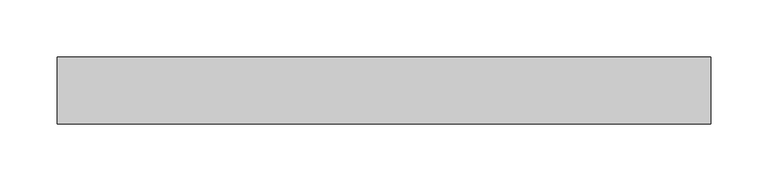
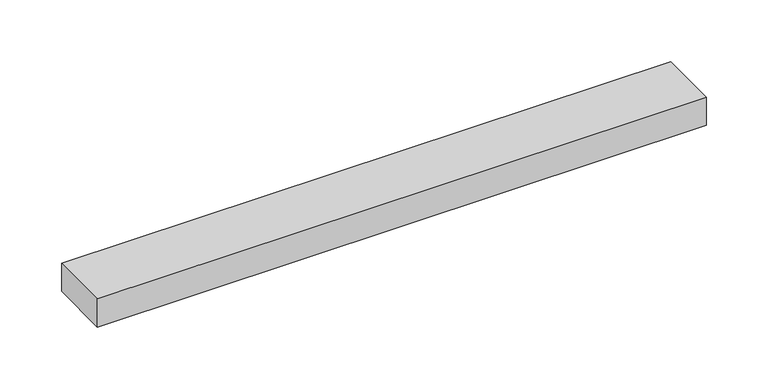
"""IFC4 building model written with IfcOpenShell, lengths in millimetres: proxy geometry."""

import ifcopenshell
import ifcopenshell.guid

model = None  # the IFC model being written
_history = None  # IfcOwnerHistory: only IFC2X3 demands one
_inside = {}  # id of a spatial element -> (the spatial element, [elements in it])
_under = {}  # id of a project, library or spatial element -> (it, [spatial elements below it])
_declared = {}  # id of a project -> (the project, [libraries it declares])
_typed = {}  # id of a type object -> (the type object, [elements of that type])
_made_of = {}  # id of a material, layer set ... -> (it, [elements and type objects made of it])


def new_model(schema):
    """Start an empty IFC model of exactly this schema.

    Asked for "IFC4X3", IfcOpenShell would pick the latest addendum, in which some entities
    have other attributes; the version numbers below select the first issue.
    IFC2X3 requires an IfcOwnerHistory on every rooted entity: one is made here for all.
    """
    global model, _history
    if schema == "IFC4X3":
        model = ifcopenshell.file(schema_version=(4, 3, 0, 0))
    else:
        model = ifcopenshell.file(schema=schema)
    _inside.clear()
    _under.clear()
    _declared.clear()
    _typed.clear()
    _made_of.clear()
    _history = None
    if model.schema == "IFC2X3":
        org = make("IfcOrganization", Name="unknown")
        user = make(
            "IfcPersonAndOrganization",
            ThePerson=make("IfcPerson", FamilyName="unknown"),
            TheOrganization=org,
        )
        app = make(
            "IfcApplication",
            ApplicationDeveloper=org,
            Version="unknown",
            ApplicationFullName="unknown",
            ApplicationIdentifier="unknown",
        )
        _history = make(
            "IfcOwnerHistory",
            OwningUser=user,
            OwningApplication=app,
            ChangeAction="ADDED",
            CreationDate=0,
        )
    return model


def make(cls, **values):
    """One entity of the class cls with the attributes given. An attribute that is None is left unset."""
    return model.create_entity(
        cls, **{name: value for name, value in values.items() if value is not None}
    )


def rooted(cls, **values):
    """An entity with a GlobalId (a new one), such as an element, a storey or a relation."""
    return make(cls, GlobalId=ifcopenshell.guid.new(), OwnerHistory=_history, **values)


def si_unit(unit_type, name, prefix=None):
    """IfcSIUnit, for example si_unit("LENGTHUNIT", "METRE", prefix="MILLI")."""
    return make("IfcSIUnit", UnitType=unit_type, Prefix=prefix, Name=name)


def assignment(units):
    """IfcUnitAssignment: the units of a project."""
    return None if units is None else make("IfcUnitAssignment", Units=units)


def point(xyz):
    """IfcCartesianPoint."""
    return None if xyz is None else make("IfcCartesianPoint", Coordinates=xyz)


def direction(xyz):
    """IfcDirection."""
    return None if xyz is None else make("IfcDirection", DirectionRatios=xyz)


def frame(location, z_axis=None, x_axis=None):
    """IfcAxis2Placement3D, a coordinate frame: its origin and axes. An axis left out is left unset."""
    return make(
        "IfcAxis2Placement3D",
        Location=point(location),
        Axis=direction(z_axis),
        RefDirection=direction(x_axis),
    )


def origin():
    """The frame at (0, 0, 0) with its axes left unset."""
    return frame((0.0, 0.0, 0.0))


def place(relative_to, where):
    """IfcLocalPlacement: puts the frame where relative to a parent placement (None: the world)."""
    return make(
        "IfcLocalPlacement", PlacementRelTo=relative_to, RelativePlacement=where
    )


def context(
    kind, dimensions, precision=None, world=None, true_north=None, identifier=None
):
    """IfcGeometricRepresentationContext, for example the 3D "Model" context."""
    return make(
        "IfcGeometricRepresentationContext",
        ContextIdentifier=identifier,
        ContextType=kind,
        CoordinateSpaceDimension=dimensions,
        Precision=precision,
        WorldCoordinateSystem=world,
        TrueNorth=true_north,
    )


def project(units=None, contexts=None):
    """IfcProject with its units and contexts."""
    return rooted(
        "IfcProject",
        Name="project",
        RepresentationContexts=contexts,
        UnitsInContext=assignment(units),
    )


def spatial(cls, under=None, at=None, **own):
    """A site, building, storey or space (cls), placed at a placement, below another one or the project."""
    s = rooted(cls, ObjectPlacement=at, **own)
    if under is not None:
        _under.setdefault(under.id(), (under, []))[1].append(s)
    return s


def polyline(points):
    """IfcPolyline through the points."""
    return make("IfcPolyline", Points=[point(p) for p in points])


def outline(outer, holes=None, kind="AREA"):
    """IfcArbitraryClosedProfileDef: a profile drawn as a closed curve; with holes, ...WithVoids."""
    if holes is None:
        return make("IfcArbitraryClosedProfileDef", ProfileType=kind, OuterCurve=outer)
    return make(
        "IfcArbitraryProfileDefWithVoids",
        ProfileType=kind,
        OuterCurve=outer,
        InnerCurves=holes,
    )


def extrude(swept, where, along, depth):
    """IfcExtrudedAreaSolid: the profile swept, set in the frame where, extruded along a direction by depth."""
    return make(
        "IfcExtrudedAreaSolid",
        SweptArea=swept,
        Position=where,
        ExtrudedDirection=direction(along),
        Depth=depth,
    )


def shape(context_of_items, identifier, shape_type, items):
    """IfcShapeRepresentation: the items that make up one representation, for example the "Body"."""
    return make(
        "IfcShapeRepresentation",
        ContextOfItems=context_of_items,
        RepresentationIdentifier=identifier,
        RepresentationType=shape_type,
        Items=items,
    )


def source(mapping_origin, context_of_items, identifier, shape_type, items):
    """IfcRepresentationMap: a shape defined once, which mapped items show again and again."""
    return make(
        "IfcRepresentationMap",
        MappingOrigin=mapping_origin,
        MappedRepresentation=shape(context_of_items, identifier, shape_type, items),
    )


def transform(
    local_origin,
    x_axis=None,
    y_axis=None,
    z_axis=None,
    scale=None,
    scale2=None,
    scale3=None,
    uniform=True,
):
    """IfcCartesianTransformationOperator3D, or its non-uniform kind. x_axis, y_axis, z_axis: its Axis1, 2, 3."""
    if uniform:
        return make(
            "IfcCartesianTransformationOperator3D",
            Axis1=direction(x_axis),
            Axis2=direction(y_axis),
            LocalOrigin=point(local_origin),
            Scale=scale,
            Axis3=direction(z_axis),
        )
    return make(
        "IfcCartesianTransformationOperator3DnonUniform",
        Axis1=direction(x_axis),
        Axis2=direction(y_axis),
        LocalOrigin=point(local_origin),
        Scale=scale,
        Axis3=direction(z_axis),
        Scale2=scale2,
        Scale3=scale3,
    )


def mapped(mapping_source, mapping_target):
    """IfcMappedItem: shows the shape of a source again, moved by a transform."""
    return make(
        "IfcMappedItem", MappingSource=mapping_source, MappingTarget=mapping_target
    )


def made_of(thing, what):
    """Note that an element or type object is made of a material, layer set ...; save() writes the relation."""
    if what is not None:
        _made_of.setdefault(what.id(), (what, []))[1].append(thing)
    return thing


def element(
    cls,
    number,
    at=None,
    inside=None,
    cuts=None,
    type_object=None,
    material=None,
    context=None,
    identifier="Body",
    shape_type=None,
    held_by="IfcProductDefinitionShape",
    body=None,
    shapes=None,
    **own,
):
    """One element of the class cls, such as IfcWall. Its Tag is "e" and its number.

    at: its placement. inside: the storey or other place that contains it. cuts: it is an
    opening in that element (IfcRelVoidsElement). A single representation is given by context,
    identifier, shape_type and body (its items); several are given by shapes. held_by: the class
    of the entity that holds the representations. save() writes the other relations.
    """
    e = rooted(cls, Tag="e%d" % number, ObjectPlacement=at, **own)
    if body is not None:
        shapes = [shape(context, identifier, shape_type, body)]
    if shapes is not None:
        e.Representation = make(held_by, Representations=shapes)
    if inside is not None:
        _inside.setdefault(inside.id(), (inside, []))[1].append(e)
    if cuts is not None:
        rooted(
            "IfcRelVoidsElement", RelatingBuildingElement=cuts, RelatedOpeningElement=e
        )
    if type_object is not None:
        _typed.setdefault(type_object.id(), (type_object, []))[1].append(e)
    return made_of(e, material)


def aggregate(whole, parts):
    """IfcRelAggregates: a whole, such as a stair, and the parts it consists of."""
    return rooted("IfcRelAggregates", RelatingObject=whole, RelatedObjects=parts)


def save(model, path):
    """Write the relations noted so far, then the file.

    IfcRelAggregates (storeys below a building ...), IfcRelContainedInSpatialStructure (elements
    in a storey), IfcRelDefinesByType, IfcRelAssociatesMaterial and IfcRelDeclares: one each for
    every whole, place, type object, material and project.
    """
    for whole, parts in _under.values():
        aggregate(whole, parts)
    for where, things in _inside.values():
        rooted(
            "IfcRelContainedInSpatialStructure",
            RelatedElements=things,
            RelatingStructure=where,
        )
    for kind, things in _typed.values():
        rooted("IfcRelDefinesByType", RelatedObjects=things, RelatingType=kind)
    for what, things in _made_of.values():
        rooted("IfcRelAssociatesMaterial", RelatedObjects=things, RelatingMaterial=what)
    for by, libraries in _declared.values():
        rooted("IfcRelDeclares", RelatingContext=by, RelatedDefinitions=libraries)
    model.write(path)


def specialty_equipment_27cbc893(model_context):
    return source(origin(), model_context, "Body", "SweptSolid", [
        extrude(outline(polyline([(-285.75, 29.2199219), (285.75, 29.2199219), (285.75, -29.2199219), (-285.75, -29.2199219), (-285.75, 29.2199219)])), frame((0.0, 0.0, -13.9898438), z_axis=(0.0, 0.0, 1.0), x_axis=(1.0, 0.0, 0.0)), (0.0, 0.0, 1.0), 27.9796875),
    ])


if __name__ == "__main__":
    model = new_model("IFC4")
    model_context = context("Model", 3, world=origin())
    ifc_project = project(units=[si_unit("LENGTHUNIT", "METRE", prefix="MILLI")], contexts=[model_context])
    site = spatial("IfcSite", under=ifc_project)
    building = spatial("IfcBuilding", under=site)
    placement = place(None, origin())
    specialty_equipment_shape = specialty_equipment_27cbc893(model_context)
    element("IfcBuildingElementProxy", 1, Name="Specialty Equipment", at=placement, inside=building, context=model_context, shape_type="MappedRepresentation", body=[
        mapped(specialty_equipment_shape, transform((0.0, 0.0, 0.0), x_axis=(1.0, 0.0, 0.0), y_axis=(0.0, 1.0, 0.0), z_axis=(0.0, 0.0, 1.0))),
    ])
    save(model, "model.ifc")
